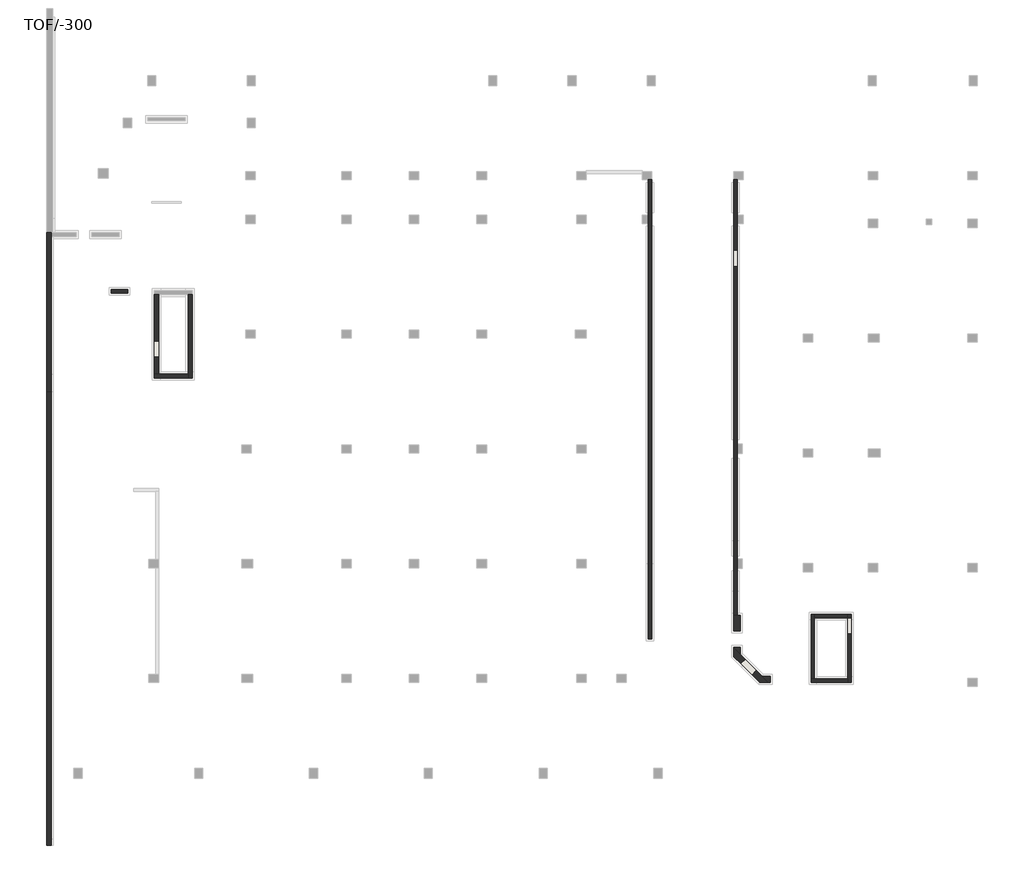
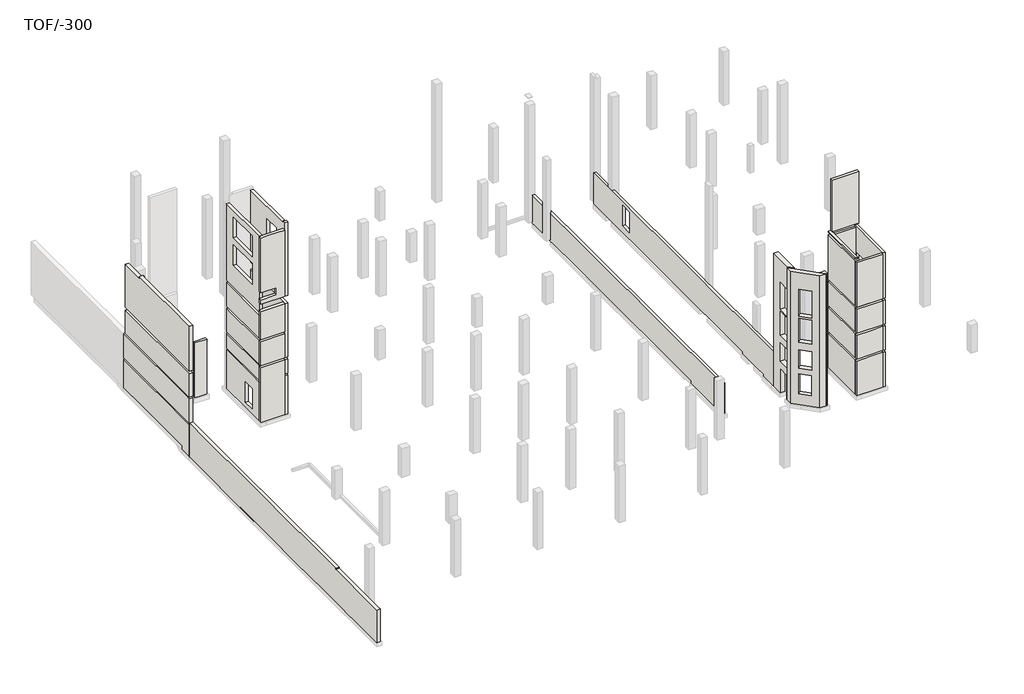
# One storey, part 1 of 4: 15 walls.
"""IFC4 building model written with IfcOpenShell, lengths in millimetres."""

from ifc_helpers import new_model, si_unit, frame, origin, place, context, project, spatial, polyline, circle_curve, outline, extrude, faceted_brep, element, save
from ifc_brep_helpers import plane_surface, cylinder_surface, advanced_brep

model = new_model("IFC4")

# Units and contexts
model_context = context("Model", 3, world=origin())
ifc_project = project(units=[si_unit("LENGTHUNIT", "METRE", prefix="MILLI")], contexts=[model_context])

# Site, building, storey
site = spatial("IfcSite", under=ifc_project)
building = spatial("IfcBuilding", under=site)
storey = spatial("IfcBuildingStorey", under=building, Name="TOF/-300", Elevation=-14100.0)

# Walls
placement = place(None, origin())
element("IfcWall", 1, ObjectType="250 WALL", at=placement, inside=storey, context=model_context, shape_type="Brep", body=[
    faceted_brep([(222296.1491692, 172463.2322067, -14550.0), (222296.1491692, 177963.2322067, -14550.0), (222296.1491692, 177963.2322067, -14250.0), (222296.1491692, 206063.2322067, -14250.0), (222296.1491692, 206063.2322067, -14100.0), (222296.1491692, 206063.2322067, -11223.3173459), (222296.1491692, 172463.2322067, -11223.3173459), (222046.1491692, 172463.2322067, -14550.0), (222046.1491692, 172463.2322067, -11223.3173459), (222046.1491692, 206063.2322067, -11223.3173459), (222046.1491692, 206063.2322067, -11310.0), (222046.1491692, 206063.2322067, -14250.0), (222046.1491692, 177963.2322067, -14250.0), (222046.1491692, 177963.2322067, -14550.0)], [[[0, 1, 2, 3, 4, 5, 6]], [[7, 8, 9, 10, 11, 12, 13]], [[3, 2, 12, 11]], [[5, 4, 3, 11, 10, 9]], [[6, 5, 9, 8]], [[0, 6, 8, 7]], [[1, 0, 7, 13]], [[2, 1, 13, 12]]]),
])
element("IfcWall", 2, ObjectType="250 WALL", at=placement, inside=storey, context=model_context, shape_type="Brep", body=[
    faceted_brep([(236628.4739802, 169263.2322067, -250.0), (236628.4739802, 174253.188445, -250.0), (236628.4739802, 174253.188445, -380.0), (236628.4739802, 174253.188445, -5200.0), (236628.4739802, 174003.188445, -5200.0), (236628.4739802, 174003.188445, -3000.0), (236628.4739802, 172803.188445, -3000.0), (236628.4739802, 172803.188445, -5200.0), (236628.4739802, 172153.188445, -5200.0), (236628.4739802, 172018.2322067, -5200.0), (236628.4739802, 169513.2322067, -5200.0), (236628.4739802, 169263.2322067, -5200.0), (236628.4739802, 169263.2322067, -380.0), (236878.4739802, 174253.188445, -250.0), (236878.4739802, 169263.2322067, -250.0), (236878.4739802, 169263.2322067, -5200.0), (236878.4739802, 172803.188445, -5200.0), (236878.4739802, 172803.188445, -3000.0), (236878.4739802, 174003.188445, -3000.0), (236878.4739802, 174003.188445, -5200.0), (236878.4739802, 174253.188445, -5200.0)], [[[0, 1, 2, 3, 4, 5, 6, 7, 8, 9, 10, 11, 12]], [[13, 14, 15, 16, 17, 18, 19, 20]], [[1, 0, 14, 13]], [[14, 0, 12, 11, 15]], [[1, 13, 20, 3, 2]], [[6, 17, 16, 7]], [[17, 6, 5, 18]], [[18, 5, 4, 19]], [[4, 3, 20, 19]], [[11, 10, 9, 8, 7, 16, 15]]]),
    faceted_brep([(236628.4739802, 174253.188445, -14750.0), (236628.4739802, 174003.188445, -14750.0), (236628.4739802, 169513.2322067, -14750.0), (236628.4739802, 169263.2322067, -14750.0), (236628.4739802, 169263.2322067, -11000.0), (236628.4739802, 169513.2322067, -11000.0), (236628.4739802, 172143.2322067, -11000.0), (236628.4739802, 174003.188445, -11000.0), (236628.4739802, 174253.188445, -11000.0), (236628.4739802, 172803.188445, -11400.0), (236628.4739802, 172803.188445, -13600.0), (236628.4739802, 174003.188445, -13600.0), (236628.4739802, 174003.188445, -11400.0), (236878.4739802, 169263.2322067, -14750.0), (236878.4739802, 174253.188445, -14750.0), (236878.4739802, 174253.188445, -11000.0), (236878.4739802, 170788.2322067, -11000.0), (236878.4739802, 169263.2322067, -11000.0), (236878.4739802, 169263.2322067, -11110.0), (236878.4739802, 172803.188445, -13600.0), (236878.4739802, 172803.188445, -11400.0), (236878.4739802, 174003.188445, -11400.0), (236878.4739802, 174003.188445, -13600.0)], [[[0, 1, 2, 3, 4, 5, 6, 7, 8], [9, 10, 11, 12]], [[13, 14, 15, 16, 17, 18], [19, 20, 21, 22]], [[3, 2, 1, 0, 14, 13]], [[3, 13, 18, 17, 4]], [[14, 0, 8, 15]], [[19, 10, 9, 20]], [[20, 9, 12, 21]], [[11, 22, 21, 12]], [[10, 19, 22, 11]], [[5, 4, 17, 16, 15, 8, 7, 6]]]),
    faceted_brep([(236628.4739802, 172803.188445, -5800.0), (236628.4739802, 172803.188445, -8000.0), (236628.4739802, 172143.2322067, -8000.0), (236628.4739802, 169513.2322067, -8000.0), (236628.4739802, 169263.2322067, -8000.0), (236628.4739802, 169263.2322067, -5400.0), (236628.4739802, 169513.2322067, -5400.0), (236628.4739802, 172018.2322067, -5400.0), (236628.4739802, 172153.188445, -5400.0), (236628.4739802, 174003.188445, -5400.0), (236628.4739802, 174253.188445, -5400.0), (236628.4739802, 174253.188445, -8000.0), (236628.4739802, 174003.188445, -8000.0), (236628.4739802, 174003.188445, -5800.0), (236878.4739802, 172803.188445, -8000.0), (236878.4739802, 172803.188445, -5800.0), (236878.4739802, 174003.188445, -5800.0), (236878.4739802, 174003.188445, -8000.0), (236878.4739802, 174253.188445, -8000.0), (236878.4739802, 174253.188445, -5400.0), (236878.4739802, 170788.2322067, -5400.0), (236878.4739802, 169263.2322067, -5400.0), (236878.4739802, 169263.2322067, -5510.0), (236878.4739802, 169263.2322067, -8000.0)], [[[0, 1, 2, 3, 4, 5, 6, 7, 8, 9, 10, 11, 12, 13]], [[14, 15, 16, 17, 18, 19, 20, 21, 22, 23]], [[4, 23, 22, 21, 5]], [[18, 11, 10, 19]], [[15, 14, 1, 0]], [[16, 15, 0, 13]], [[17, 16, 13, 12]], [[12, 11, 18, 17]], [[4, 3, 2, 1, 14, 23]], [[10, 9, 8, 7, 6, 5, 21, 20, 19]]]),
    faceted_brep([(236628.4739802, 172803.188445, -8600.0), (236628.4739802, 172803.188445, -10800.0), (236628.4739802, 172143.2322067, -10800.0), (236628.4739802, 169513.2322067, -10800.0), (236628.4739802, 169263.2322067, -10800.0), (236628.4739802, 169263.2322067, -8200.0), (236628.4739802, 169513.2322067, -8200.0), (236628.4739802, 172143.2322067, -8200.0), (236628.4739802, 174003.188445, -8200.0), (236628.4739802, 174253.188445, -8200.0), (236628.4739802, 174253.188445, -10800.0), (236628.4739802, 174003.188445, -10800.0), (236628.4739802, 174003.188445, -8600.0), (236878.4739802, 172803.188445, -10800.0), (236878.4739802, 172803.188445, -8600.0), (236878.4739802, 174003.188445, -8600.0), (236878.4739802, 174003.188445, -10800.0), (236878.4739802, 174253.188445, -10800.0), (236878.4739802, 174253.188445, -8200.0), (236878.4739802, 170788.2322067, -8200.0), (236878.4739802, 169263.2322067, -8200.0), (236878.4739802, 169263.2322067, -8310.0), (236878.4739802, 169263.2322067, -10800.0)], [[[0, 1, 2, 3, 4, 5, 6, 7, 8, 9, 10, 11, 12]], [[13, 14, 15, 16, 17, 18, 19, 20, 21, 22]], [[20, 5, 4, 22, 21]], [[9, 18, 17, 10]], [[0, 14, 13, 1]], [[14, 0, 12, 15]], [[15, 12, 11, 16]], [[6, 5, 20, 19, 18, 9, 8, 7]], [[11, 10, 17, 16]], [[4, 3, 2, 1, 13, 22]]]),
])
element("IfcWall", 3, ObjectType="250 WALL", at=placement, inside=storey, context=model_context, shape_type="Brep", body=[
    faceted_brep([(236628.4739802, 169513.2322067, -14750.0), (234188.4739802, 169513.2322067, -14750.0), (233938.4739802, 169513.2322067, -14750.0), (233938.4739802, 169513.2322067, -11000.0), (234188.4739802, 169513.2322067, -11000.0), (236628.4739802, 169513.2322067, -11000.0), (233938.4739802, 169263.2322067, -14750.0), (236628.4739802, 169263.2322067, -14750.0), (236628.4739802, 169263.2322067, -11000.0), (235353.4739802, 169263.2322067, -11000.0), (233938.4739802, 169263.2322067, -11000.0)], [[[0, 1, 2, 3, 4, 5]], [[6, 7, 8, 9, 10]], [[2, 1, 0, 7, 6]], [[7, 0, 5, 8]], [[2, 6, 10, 3]], [[4, 3, 10, 9, 8, 5]]]),
    faceted_brep([(233938.4739802, 169513.2322067, -380.0), (234188.4739802, 169513.2322067, -380.0), (236628.4739802, 169513.2322067, -380.0), (236628.4739802, 169513.2322067, -5200.0), (234188.4739802, 169513.2322067, -5200.0), (233938.4739802, 169513.2322067, -5200.0), (236628.4739802, 169263.2322067, -380.0), (233938.4739802, 169263.2322067, -380.0), (233938.4739802, 169263.2322067, -5200.0), (236628.4739802, 169263.2322067, -5200.0)], [[[0, 1, 2, 3, 4, 5]], [[6, 7, 8, 9]], [[2, 6, 9, 3]], [[7, 0, 5, 8]], [[1, 0, 7, 6, 2]], [[5, 4, 3, 9, 8]]]),
    faceted_brep([(233938.4739802, 169513.2322067, -5400.0), (234188.4739802, 169513.2322067, -5400.0), (236628.4739802, 169513.2322067, -5400.0), (236628.4739802, 169513.2322067, -8000.0), (234188.4739802, 169513.2322067, -8000.0), (233938.4739802, 169513.2322067, -8000.0), (236628.4739802, 169263.2322067, -5400.0), (235353.4739802, 169263.2322067, -5400.0), (233938.4739802, 169263.2322067, -5400.0), (233938.4739802, 169263.2322067, -8000.0), (236628.4739802, 169263.2322067, -8000.0)], [[[0, 1, 2, 3, 4, 5]], [[6, 7, 8, 9, 10]], [[2, 6, 10, 3]], [[8, 0, 5, 9]], [[1, 0, 8, 7, 6, 2]], [[5, 4, 3, 10, 9]]]),
    faceted_brep([(233938.4739802, 169513.2322067, -8200.0), (234188.4739802, 169513.2322067, -8200.0), (236628.4739802, 169513.2322067, -8200.0), (236628.4739802, 169513.2322067, -10800.0), (234188.4739802, 169513.2322067, -10800.0), (233938.4739802, 169513.2322067, -10800.0), (236628.4739802, 169263.2322067, -8200.0), (235353.4739802, 169263.2322067, -8200.0), (233938.4739802, 169263.2322067, -8200.0), (233938.4739802, 169263.2322067, -10800.0), (236628.4739802, 169263.2322067, -10800.0)], [[[0, 1, 2, 3, 4, 5]], [[6, 7, 8, 9, 10]], [[2, 6, 10, 3]], [[8, 0, 5, 9]], [[1, 0, 8, 7, 6, 2]], [[5, 4, 3, 10, 9]]]),
])
element("IfcWall", 4, ObjectType="250 WALL", at=placement, inside=storey, context=model_context, shape_type="Brep", body=[
    faceted_brep([(234188.4739802, 169513.2322067, -14750.0), (234188.4739802, 174003.188445, -14750.0), (234188.4739802, 174253.188445, -14750.0), (234188.4739802, 174253.188445, -11000.0), (234188.4739802, 174003.188445, -11000.0), (234188.4739802, 172398.2322067, -11000.0), (234188.4739802, 169513.2322067, -11000.0), (233938.4739802, 174253.188445, -14750.0), (233938.4739802, 169513.2322067, -14750.0), (233938.4739802, 169513.2322067, -11000.0), (233938.4739802, 174253.188445, -11000.0)], [[[0, 1, 2, 3, 4, 5, 6]], [[7, 8, 9, 10]], [[2, 1, 0, 8, 7]], [[2, 7, 10, 3]], [[8, 0, 6, 9]], [[5, 4, 3, 10, 9, 6]]]),
    faceted_brep([(234188.4739802, 174253.188445, 0.0), (234188.4739802, 169513.2322067, 0.0), (234188.4739802, 169513.2322067, -130.0), (234188.4739802, 174003.188445, -130.0), (234188.4739802, 174253.188445, -130.0), (233938.4739802, 169513.2322067, 0.0), (233938.4739802, 174253.188445, 0.0), (233938.4739802, 174253.188445, -130.0), (233938.4739802, 169513.2322067, -130.0)], [[[0, 1, 2, 3, 4]], [[5, 6, 7, 8]], [[1, 0, 6, 5]], [[6, 0, 4, 7]], [[1, 5, 8, 2]], [[4, 3, 2, 8, 7]]]),
    faceted_brep([(234188.4739802, 174253.188445, -380.0), (234188.4739802, 174003.188445, -380.0), (234188.4739802, 169513.2322067, -380.0), (234188.4739802, 169513.2322067, -5200.0), (234188.4739802, 172398.2322067, -5200.0), (234188.4739802, 174003.188445, -5200.0), (234188.4739802, 174253.188445, -5200.0), (233938.4739802, 169513.2322067, -380.0), (233938.4739802, 174253.188445, -380.0), (233938.4739802, 174253.188445, -5200.0), (233938.4739802, 169513.2322067, -5200.0)], [[[0, 1, 2, 3, 4, 5, 6]], [[7, 8, 9, 10]], [[8, 0, 6, 9]], [[2, 7, 10, 3]], [[1, 0, 8, 7, 2]], [[4, 3, 10, 9, 6, 5]]]),
    faceted_brep([(234188.4739802, 174253.188445, -8200.0), (234188.4739802, 174003.188445, -8200.0), (234188.4739802, 172398.2322067, -8200.0), (234188.4739802, 169513.2322067, -8200.0), (234188.4739802, 169513.2322067, -10800.0), (234188.4739802, 172398.2322067, -10800.0), (234188.4739802, 174003.188445, -10800.0), (234188.4739802, 174253.188445, -10800.0), (233938.4739802, 169513.2322067, -8200.0), (233938.4739802, 174253.188445, -8200.0), (233938.4739802, 174253.188445, -10800.0), (233938.4739802, 169513.2322067, -10800.0)], [[[0, 1, 2, 3, 4, 5, 6, 7]], [[8, 9, 10, 11]], [[9, 0, 7, 10]], [[3, 8, 11, 4]], [[1, 0, 9, 8, 3, 2]], [[7, 6, 5, 4, 11, 10]]]),
    faceted_brep([(234188.4739802, 174003.188445, -8000.0), (234188.4739802, 174253.188445, -8000.0), (234188.4739802, 174253.188445, -5400.0), (234188.4739802, 174003.188445, -5400.0), (234188.4739802, 172398.2322067, -5400.0), (234188.4739802, 169513.2322067, -5400.0), (234188.4739802, 169513.2322067, -8000.0), (234188.4739802, 172398.2322067, -8000.0), (233938.4739802, 174253.188445, -8000.0), (233938.4739802, 169513.2322067, -8000.0), (233938.4739802, 169513.2322067, -5400.0), (233938.4739802, 174253.188445, -5400.0)], [[[0, 1, 2, 3, 4, 5, 6, 7]], [[8, 9, 10, 11]], [[1, 8, 11, 2]], [[9, 6, 5, 10]], [[1, 0, 7, 6, 9, 8]], [[5, 4, 3, 2, 11, 10]]]),
])
element("IfcWall", 5, ObjectType="250 WALL", at=placement, inside=storey, context=model_context, shape_type="Brep", body=[
    faceted_brep([(234188.4739802, 174003.188445, -14750.0), (236628.4739802, 174003.188445, -14750.0), (236628.4739802, 174003.188445, -13600.0), (236628.4739802, 174003.188445, -11400.0), (236628.4739802, 174003.188445, -11000.0), (234188.4739802, 174003.188445, -11000.0), (236628.4739802, 174253.188445, -14750.0), (234188.4739802, 174253.188445, -14750.0), (234188.4739802, 174253.188445, -11000.0), (236628.4739802, 174253.188445, -11000.0)], [[[0, 1, 2, 3, 4, 5]], [[6, 7, 8, 9]], [[1, 0, 7, 6]], [[7, 0, 5, 8]], [[1, 6, 9, 4, 3, 2]], [[5, 4, 9, 8]]]),
    faceted_brep([(236878.4739802, 174003.188445, 5600.0), (236628.4739802, 174003.188445, 5600.0), (234188.4739802, 174003.188445, 5600.0), (234188.4739802, 174003.188445, 0.0), (236628.4739802, 174003.188445, 0.0), (236878.4739802, 174003.188445, 0.0), (236878.4739802, 174003.188445, 800.0), (236878.4739802, 174003.188445, 1000.0), (236878.4739802, 174003.188445, 1002.0), (236878.4739802, 174003.188445, 3202.0), (234188.4739802, 174253.188445, 5600.0), (236878.4739802, 174253.188445, 5600.0), (236878.4739802, 174253.188445, 0.0), (234188.4739802, 174253.188445, 0.0), (236878.4739802, 174193.188445, 0.0)], [[[0, 1, 2, 3, 4, 5, 6, 7, 8, 9]], [[10, 11, 12, 13]], [[2, 10, 13, 3]], [[3, 13, 12, 14, 5, 4]], [[0, 9, 8, 7, 6, 5, 14, 12, 11]], [[2, 1, 0, 11, 10]]]),
    faceted_brep([(236628.4739802, 174003.188445, -380.0), (234188.4739802, 174003.188445, -380.0), (234188.4739802, 174003.188445, -5200.0), (236628.4739802, 174003.188445, -5200.0), (236628.4739802, 174003.188445, -3000.0), (234188.4739802, 174253.188445, -380.0), (236628.4739802, 174253.188445, -380.0), (236628.4739802, 174253.188445, -5200.0), (234188.4739802, 174253.188445, -5200.0)], [[[0, 1, 2, 3, 4]], [[5, 6, 7, 8]], [[1, 5, 8, 2]], [[6, 0, 4, 3, 7]], [[1, 0, 6, 5]], [[3, 2, 8, 7]]]),
    faceted_brep([(236628.4739802, 174003.188445, -5400.0), (234188.4739802, 174003.188445, -5400.0), (234188.4739802, 174003.188445, -10800.0), (236628.4739802, 174003.188445, -10800.0), (236628.4739802, 174003.188445, -8600.0), (236628.4739802, 174003.188445, -8000.0), (236628.4739802, 174003.188445, -5800.0), (234188.4739802, 174253.188445, -5400.0), (236628.4739802, 174253.188445, -5400.0), (236628.4739802, 174253.188445, -8000.0), (236628.4739802, 174253.188445, -8200.0), (236628.4739802, 174253.188445, -10800.0), (234188.4739802, 174253.188445, -10800.0), (234188.4739802, 174253.188445, -8200.0), (234188.4739802, 174253.188445, -8000.0)], [[[0, 1, 2, 3, 4, 5, 6]], [[7, 8, 9, 10, 11, 12, 13, 14]], [[1, 7, 14, 13, 12, 2]], [[8, 0, 6, 5, 4, 3, 11, 10, 9]], [[1, 0, 8, 7]], [[3, 2, 12, 11]]]),
])
element("IfcWall", 6, ObjectType="250 WALL", at=placement, inside=storey, context=model_context, shape_type="Brep", body=[
    faceted_brep([(228546.1491692, 174171.4302583, -14750.0), (228546.1491692, 175971.4302583, -14750.0), (228546.1491692, 175971.4302583, -14550.0), (228546.1491692, 179671.4302583, -14550.0), (228546.1491692, 179671.4302583, -14350.0), (228546.1491692, 206071.4302583, -14350.0), (228546.1491692, 206071.4302583, -14200.0), (228546.1491692, 206071.4302583, -11000.0), (228546.1491692, 206063.2322067, -11000.0), (228546.1491692, 203463.2322067, -11000.0), (228546.1491692, 202863.2322067, -11000.0), (228546.1491692, 174171.4302583, -11000.0), (228546.1491692, 200913.9302583, -11400.0), (228546.1491692, 200913.9302583, -13600.0), (228546.1491692, 199713.9302583, -13600.0), (228546.1491692, 199713.9302583, -11400.0), (228296.1491692, 174171.4302583, -14750.0), (228296.1491692, 174171.4302583, -11000.0), (228296.1491692, 202863.2322067, -11000.0), (228296.1491692, 203463.2322067, -11000.0), (228296.1491692, 206063.2322067, -11000.0), (228296.1491692, 206071.4302583, -11000.0), (228296.1491692, 206071.4302583, -14200.0), (228296.1491692, 206071.4302583, -14350.0), (228296.1491692, 179671.4302583, -14350.0), (228296.1491692, 179671.4302583, -14550.0), (228296.1491692, 175971.4302583, -14550.0), (228296.1491692, 175971.4302583, -14750.0), (228296.1491692, 200913.9302583, -11400.0), (228296.1491692, 199713.9302583, -11400.0), (228296.1491692, 199713.9302583, -13600.0), (228296.1491692, 200913.9302583, -13600.0)], [[[0, 1, 2, 3, 4, 5, 6, 7, 8, 9, 10, 11], [12, 13, 14, 15]], [[16, 17, 18, 19, 20, 21, 22, 23, 24, 25, 26, 27], [28, 29, 30, 31]], [[13, 12, 28, 31]], [[14, 13, 31, 30]], [[15, 14, 30, 29]], [[12, 15, 29, 28]], [[5, 4, 24, 23]], [[7, 6, 5, 23, 22, 21]], [[11, 10, 9, 8, 7, 21, 20, 19, 18, 17]], [[0, 11, 17, 16]], [[1, 0, 16, 27]], [[2, 1, 27, 26]], [[3, 2, 26, 25]], [[4, 3, 25, 24]]]),
])
element("IfcWall", 7, ObjectType="250 WALL", at=placement, inside=storey, context=model_context, shape_type="SweptSolid", body=[
    extrude(outline(polyline([(183956.1489175, 197758.2322067), (182756.1489175, 197758.2322067), (182756.1489175, 198008.2322067), (183956.1489175, 198008.2322067), (183956.1489175, 197758.2322067)])), frame((0.0, 0.0, -14350.0), z_axis=(0.0, 0.0, 1.0), x_axis=(1.0, 0.0, 0.0)), (0.0, 0.0, 1.0), 5950.0),
])
element("IfcWall", 8, ObjectType="300 WALL", at=placement, inside=storey, context=model_context, shape_type="Brep", body=[
    faceted_brep([(188361.1489175, 197657.6490083, -14350.0), (188361.1489175, 191842.6490083, -14350.0), (188361.1489175, 191542.6490083, -14350.0), (188361.1489175, 191542.6490083, -10150.0), (188361.1489175, 197657.6490083, -10150.0), (188661.1489175, 191542.6490083, -14350.0), (188661.1489175, 197657.6490083, -14350.0), (188661.1489175, 197657.6490083, -10150.0), (188661.1489175, 191542.6490083, -10150.0)], [[[0, 1, 2, 3, 4]], [[5, 6, 7, 8]], [[2, 1, 0, 6, 5]], [[6, 0, 4, 7]], [[2, 5, 8, 3]], [[4, 3, 8, 7]]]),
    faceted_brep([(188361.1489175, 196433.2322067, -5975.0327921), (188361.1489175, 193068.2322067, -5975.0327921), (188361.1489175, 193068.2322067, -8200.0), (188361.1489175, 191842.6490083, -8200.0), (188361.1489175, 191542.6490083, -8200.0), (188361.1489175, 191542.6490083, -5600.0), (188361.1489175, 191542.6490083, -5400.0), (188361.1489175, 191542.6490083, -2350.0), (188361.1489175, 191842.6490083, -2350.0), (188361.1489175, 197657.6490083, -2350.0), (188361.1489175, 197657.6490083, -5450.0), (188361.1489175, 194603.2322067, -5450.0), (188361.1489175, 194203.2322067, -5450.0), (188361.1489175, 194203.2322067, -5600.0), (188361.1489175, 194203.2322067, -5650.0), (188361.1489175, 197657.6490083, -5650.0), (188361.1489175, 197657.6490083, -8200.0), (188361.1489175, 196433.2322067, -8200.0), (188661.1489175, 193068.2322067, -5975.0327921), (188661.1489175, 196433.2322067, -5975.0327921), (188661.1489175, 196433.2322067, -8200.0), (188661.1489175, 197657.6490083, -8200.0), (188661.1489175, 197657.6490083, -5650.0), (188661.1489175, 194203.2322067, -5650.0), (188661.1489175, 194203.2322067, -5450.0), (188661.1489175, 197657.6490083, -5450.0), (188661.1489175, 197657.6490083, -2350.0), (188661.1489175, 191542.6490083, -2350.0), (188661.1489175, 191542.6490083, -8200.0), (188661.1489175, 193068.2322067, -8200.0)], [[[0, 1, 2, 3, 4, 5, 6, 7, 8, 9, 10, 11, 12, 13, 14, 15, 16, 17]], [[18, 19, 20, 21, 22, 23, 24, 25, 26, 27, 28, 29]], [[9, 26, 25, 10]], [[15, 22, 21, 16]], [[27, 7, 6, 5, 4, 28]], [[1, 18, 29, 2]], [[18, 1, 0, 19]], [[19, 0, 17, 20]], [[8, 7, 27, 26, 9]], [[14, 23, 22, 15]], [[24, 12, 11, 10, 25]], [[23, 14, 13, 12, 24]], [[4, 3, 2, 29, 28]], [[17, 16, 21, 20]]]),
    faceted_brep([(188361.1489175, 191542.6490083, 6400.0), (188361.1489175, 191843.2322067, 6400.0), (188361.1489175, 191843.2322067, 6200.0), (188361.1489175, 197657.6490083, 6200.0), (188361.1489175, 197657.6490083, -1550.0), (188361.1489175, 191842.6490083, -1550.0), (188361.1489175, 191542.6490083, -1550.0), (188361.1489175, 191542.6490083, 5600.0), (188361.1489175, 194750.0326131, 2670.0), (188361.1489175, 194750.0326131, 4905.0), (188361.1489175, 193060.0326131, 4905.0), (188361.1489175, 193060.0326131, 2670.0), (188661.1489175, 191843.2322067, 6400.0), (188661.1489175, 191542.6490083, 6400.0), (188661.1489175, 191542.6490083, -1110.0), (188661.1489175, 191542.6490083, -1550.0), (188661.1489175, 197657.6490083, -1550.0), (188661.1489175, 197657.6490083, 6200.0), (188661.1489175, 191843.2322067, 6200.0), (188661.1489175, 194750.0326131, 4905.0), (188661.1489175, 194750.0326131, 2670.0), (188661.1489175, 193060.0326131, 2670.0), (188661.1489175, 193060.0326131, 4905.0)], [[[0, 1, 2, 3, 4, 5, 6, 7], [8, 9, 10, 11]], [[12, 13, 14, 15, 16, 17, 18], [19, 20, 21, 22]], [[0, 13, 12, 1]], [[3, 17, 16, 4]], [[9, 8, 20, 19]], [[10, 9, 19, 22]], [[11, 10, 22, 21]], [[8, 11, 21, 20]], [[13, 0, 7, 6, 15, 14]], [[2, 18, 17, 3]], [[18, 2, 1, 12]], [[6, 5, 4, 16, 15]]]),
    faceted_brep([(188361.1489175, 191542.6490083, -8400.0), (188361.1489175, 191842.6490083, -8400.0), (188361.1489175, 197657.6490083, -8400.0), (188361.1489175, 197657.6490083, -9950.0), (188361.1489175, 191542.6490083, -9950.0), (188661.1489175, 197657.6490083, -8400.0), (188661.1489175, 191542.6490083, -8400.0), (188661.1489175, 191542.6490083, -9950.0), (188661.1489175, 197657.6490083, -9950.0)], [[[0, 1, 2, 3, 4]], [[5, 6, 7, 8]], [[2, 5, 8, 3]], [[6, 0, 4, 7]], [[1, 0, 6, 5, 2]], [[4, 3, 8, 7]]]),
])
element("IfcWall", 9, ObjectType="300 WALL", at=placement, inside=storey, context=model_context, shape_type="Brep", body=[
    faceted_brep([(188361.1489175, 191842.6490083, -14350.0), (186201.1489175, 191842.6490083, -14350.0), (185901.1489175, 191842.6490083, -14350.0), (185901.1489175, 191842.6490083, -10150.0), (185901.1489175, 191842.6490083, -9950.0), (185901.1489175, 191842.6490083, -8400.0), (186201.1489175, 191842.6490083, -8400.0), (188361.1489175, 191842.6490083, -8400.0), (185901.1489175, 191542.6490083, -14350.0), (188361.1489175, 191542.6490083, -14350.0), (188361.1489175, 191542.6490083, -10150.0), (188361.1489175, 191542.6490083, -9950.0), (188361.1489175, 191542.6490083, -8400.0), (185901.1489175, 191542.6490083, -8400.0)], [[[0, 1, 2, 3, 4, 5, 6, 7]], [[8, 9, 10, 11, 12, 13]], [[2, 1, 0, 9, 8]], [[9, 0, 7, 12, 11, 10]], [[2, 8, 13, 5, 4, 3]], [[6, 5, 13, 12, 7]]]),
    faceted_brep([(185901.1489175, 191842.6490083, -1110.0), (186201.1489175, 191842.6490083, -1110.0), (187501.1489175, 191842.6490083, -1110.0), (187501.1489175, 191842.6490083, -310.0), (186201.1489175, 191842.6490083, -310.0), (185901.1489175, 191842.6490083, -310.0), (185901.1489175, 191842.6490083, 5600.0), (186201.1489175, 191842.6490083, 5600.0), (188361.1489175, 191842.6490083, 5600.0), (188361.1489175, 191842.6490083, -1550.0), (185901.1489175, 191842.6490083, -1550.0), (187501.1489175, 191542.6490083, -1110.0), (186201.1489175, 191542.6490083, -1110.0), (185901.1489175, 191542.6490083, -1110.0), (185901.1489175, 191542.6490083, -1550.0), (186201.1489175, 191542.6490083, -1550.0), (188261.1489175, 191542.6490083, -1550.0), (188361.1489175, 191542.6490083, -1550.0), (188361.1489175, 191542.6490083, 5600.0), (186696.1489175, 191542.6490083, 5600.0), (185901.1489175, 191542.6490083, 5600.0), (185901.1489175, 191542.6490083, -310.0), (187501.1489175, 191542.6490083, -310.0)], [[[0, 1, 2, 3, 4, 5, 6, 7, 8, 9, 10]], [[11, 12, 13, 14, 15, 16, 17, 18, 19, 20, 21, 22]], [[17, 9, 8, 18]], [[13, 0, 10, 14]], [[5, 21, 20, 6]], [[11, 2, 1, 0, 13, 12]], [[3, 22, 21, 5, 4]], [[2, 11, 22, 3]], [[10, 9, 17, 16, 15, 14]], [[8, 7, 6, 20, 19, 18]]]),
    faceted_brep([(185901.1489175, 191842.6490083, -2350.0), (188361.1489175, 191842.6490083, -2350.0), (188361.1489175, 191842.6490083, -5400.0), (186201.1489175, 191842.6490083, -5400.0), (185901.1489175, 191842.6490083, -5400.0), (185901.1489175, 191842.6490083, -2900.0), (185901.1489175, 191842.6490083, -2600.0), (188361.1489175, 191542.6490083, -2350.0), (186201.1489175, 191542.6490083, -2350.0), (185901.1489175, 191542.6490083, -2350.0), (185901.1489175, 191542.6490083, -2600.0), (185901.1489175, 191542.6490083, -5400.0), (188361.1489175, 191542.6490083, -5400.0)], [[[0, 1, 2, 3, 4, 5, 6]], [[7, 8, 9, 10, 11, 12]], [[1, 7, 12, 2]], [[9, 0, 6, 5, 4, 11, 10]], [[1, 0, 9, 8, 7]], [[4, 3, 2, 12, 11]]]),
    faceted_brep([(185901.1489175, 191842.6490083, -5600.0), (186201.1489175, 191842.6490083, -5600.0), (188361.1489175, 191842.6490083, -5600.0), (188361.1489175, 191842.6490083, -8200.0), (186201.1489175, 191842.6490083, -8200.0), (185901.1489175, 191842.6490083, -8200.0), (185901.1489175, 191842.6490083, -5700.0), (188361.1489175, 191542.6490083, -5600.0), (185901.1489175, 191542.6490083, -5600.0), (185901.1489175, 191542.6490083, -8200.0), (188361.1489175, 191542.6490083, -8200.0)], [[[0, 1, 2, 3, 4, 5, 6]], [[7, 8, 9, 10]], [[2, 7, 10, 3]], [[8, 0, 6, 5, 9]], [[1, 0, 8, 7, 2]], [[5, 4, 3, 10, 9]]]),
])
element("IfcWall", 10, ObjectType="300 WALL", at=placement, inside=storey, context=model_context, shape_type="Brep", body=[
    faceted_brep([(186201.1489175, 191842.6490083, -14350.0), (186201.1489175, 197657.6490083, -14350.0), (186201.1489175, 197657.6490083, -10150.0), (186201.1489175, 191842.6490083, -10150.0), (186201.1489175, 193068.2322067, -13795.0), (186201.1489175, 193068.2322067, -11595.0), (186201.1489175, 194268.2322067, -11595.0), (186201.1489175, 194268.2322067, -13795.0), (185901.1489175, 197657.6490083, -14350.0), (185901.1489175, 191842.6490083, -14350.0), (185901.1489175, 191842.6490083, -10150.0), (185901.1489175, 197657.6490083, -10150.0), (185901.1489175, 193068.2322067, -11595.0), (185901.1489175, 193068.2322067, -13795.0), (185901.1489175, 194268.2322067, -13795.0), (185901.1489175, 194268.2322067, -11595.0)], [[[0, 1, 2, 3], [4, 5, 6, 7]], [[8, 9, 10, 11], [12, 13, 14, 15]], [[1, 0, 9, 8]], [[9, 0, 3, 10]], [[1, 8, 11, 2]], [[5, 4, 13, 12]], [[6, 5, 12, 15]], [[7, 6, 15, 14]], [[4, 7, 14, 13]], [[3, 2, 11, 10]]]),
    faceted_brep([(186201.1489175, 197657.6490083, 5600.0), (186201.1489175, 191842.6490083, 5600.0), (186201.1489175, 191842.6490083, -2600.0), (186201.1489175, 197657.6490083, -2600.0), (186201.1489175, 193068.2322067, -310.0), (186201.1489175, 193068.2322067, 1925.0), (186201.1489175, 196433.2322067, 1925.0), (186201.1489175, 196433.2322067, -310.0), (186201.1489175, 193068.2322067, 2670.0), (186201.1489175, 193068.2322067, 4905.0), (186201.1489175, 196433.2322067, 4905.0), (186201.1489175, 196433.2322067, 2670.0), (185901.1489175, 191842.6490083, 5600.0), (185901.1489175, 197657.6490083, 5600.0), (185901.1489175, 197657.6490083, -2600.0), (185901.1489175, 191842.6490083, -2600.0), (185901.1489175, 191842.6490083, -2350.0), (185901.1489175, 191842.6490083, -1550.0), (185901.1489175, 191842.6490083, -1110.0), (185901.1489175, 191842.6490083, -310.0), (185901.1489175, 193068.2322067, 1925.0), (185901.1489175, 193068.2322067, -310.0), (185901.1489175, 196433.2322067, -310.0), (185901.1489175, 196433.2322067, 1925.0), (185901.1489175, 193068.2322067, 4905.0), (185901.1489175, 193068.2322067, 2670.0), (185901.1489175, 196433.2322067, 2670.0), (185901.1489175, 196433.2322067, 4905.0)], [[[0, 1, 2, 3], [4, 5, 6, 7], [8, 9, 10, 11]], [[12, 13, 14, 15, 16, 17, 18, 19], [20, 21, 22, 23], [24, 25, 26, 27]], [[1, 12, 19, 18, 17, 16, 15, 2]], [[13, 0, 3, 14]], [[4, 21, 20, 5]], [[5, 20, 23, 6]], [[6, 23, 22, 7]], [[21, 4, 7, 22]], [[8, 25, 24, 9]], [[9, 24, 27, 10]], [[10, 27, 26, 11]], [[25, 8, 11, 26]], [[1, 0, 13, 12]], [[3, 2, 15, 14]]]),
    faceted_brep([(186201.1489175, 197657.6490083, -2900.0), (186201.1489175, 191842.6490083, -2900.0), (186201.1489175, 191842.6490083, -5400.0), (186201.1489175, 191843.2322067, -5400.0), (186201.1489175, 197657.6490083, -5400.0), (185901.1489175, 191842.6490083, -2900.0), (185901.1489175, 197657.6490083, -2900.0), (185901.1489175, 197657.6490083, -5400.0), (185901.1489175, 191842.6490083, -5400.0)], [[[0, 1, 2, 3, 4]], [[5, 6, 7, 8]], [[1, 5, 8, 2]], [[6, 0, 4, 7]], [[1, 0, 6, 5]], [[4, 3, 2, 8, 7]]]),
    faceted_brep([(186201.1489175, 197657.6490083, -5700.0), (186201.1489175, 191842.6490083, -5700.0), (186201.1489175, 191842.6490083, -8200.0), (186201.1489175, 197657.6490083, -8200.0), (185901.1489175, 191842.6490083, -5700.0), (185901.1489175, 197657.6490083, -5700.0), (185901.1489175, 197657.6490083, -8200.0), (185901.1489175, 191842.6490083, -8200.0)], [[[0, 1, 2, 3]], [[4, 5, 6, 7]], [[1, 4, 7, 2]], [[5, 0, 3, 6]], [[1, 0, 5, 4]], [[3, 2, 7, 6]]]),
    faceted_brep([(186201.1489175, 197657.6490083, -8400.0), (186201.1489175, 191842.6490083, -8400.0), (186201.1489175, 191842.6490083, -9950.0), (186201.1489175, 197657.6490083, -9950.0), (185901.1489175, 191842.6490083, -8400.0), (185901.1489175, 197657.6490083, -8400.0), (185901.1489175, 197657.6490083, -9950.0), (185901.1489175, 191842.6490083, -9950.0)], [[[0, 1, 2, 3]], [[4, 5, 6, 7]], [[1, 4, 7, 2]], [[5, 0, 3, 6]], [[1, 0, 5, 4]], [[3, 2, 7, 6]]]),
])
element("IfcWall", 11, ObjectType="350 WALL", at=placement, inside=storey, context=model_context, shape_type="SolidModel", body=[
    faceted_brep([(178011.1491693, 190507.2325529, -8400.0), (178011.1491693, 202193.1983002, -8400.0), (178011.1491693, 202193.1983002, -11000.0), (178011.1491693, 190507.2325529, -11000.0), (178361.1491693, 202193.1983002, -8400.0), (178361.1491693, 201893.1983002, -8400.0), (178361.1491693, 190507.2325529, -8400.0), (178361.1491693, 190507.2325529, -11000.0), (178361.1491693, 201893.1983002, -11000.0), (178361.1491693, 202193.1983002, -11000.0)], [[[0, 1, 2, 3]], [[4, 5, 6, 7, 8, 9]], [[1, 0, 6, 5, 4]], [[3, 2, 9, 8, 7]], [[0, 3, 7, 6]], [[2, 1, 4, 9]]]),
    faceted_brep([(178011.1491693, 201882.2325529, -8200.0), (178011.1491693, 190507.2325529, -8200.0), (178011.1491693, 190507.2325529, -5700.0), (178011.1491693, 201882.2325529, -5700.0), (178011.1491693, 201882.2325529, -5765.0), (178361.1491693, 190507.2325529, -8200.0), (178361.1491693, 201882.2325529, -8200.0), (178361.1491693, 201882.2325529, -5765.0), (178361.1491693, 201882.2325529, -5700.0), (178361.1491693, 190507.2325529, -5700.0)], [[[0, 1, 2, 3, 4]], [[5, 6, 7, 8, 9]], [[6, 0, 4, 3, 8, 7]], [[1, 0, 6, 5]], [[3, 2, 9, 8]], [[2, 1, 5, 9]]]),
    advanced_brep(
    [(178011.1491693, 201882.2325529, -5400.0), (178011.1491693, 190507.2325529, -5400.0), (178011.1491693, 190507.2325529, -560.0), (178011.1491693, 199393.1983002, -560.0), (178011.1491693, 199393.1983002, -730.0), (178011.1491693, 201882.2325529, -730.0), (178361.1491693, 190507.2325529, -5400.0), (178361.1491693, 201882.2325529, -5400.0), (178361.1491693, 201882.2325529, -730.0), (178361.1491693, 199393.1983002, -730.0), (178361.1491693, 199393.1983002, -560.0), (178361.1491693, 199246.7785361, -560.0), (178361.1491693, 199246.7785361, -480.0), (178361.1491693, 199107.6095717, -480.0), (178361.1491693, 199107.6095717, -560.0), (178361.1491693, 190507.2325529, -560.0), (178356.2834943, 199177.1940539, -560.0), (178356.2834943, 199177.1940539, -480.0)],
    [
        (0, 1),
        (1, 2),
        (2, 3),
        (3, 4),
        (4, 5),
        (5, 0),
        (6, 7),
        (7, 8),
        (8, 9),
        (9, 10),
        (10, 11),
        (11, 12),
        (12, 13),
        (13, 14),
        (14, 15),
        (15, 6),
        (7, 0),
        (5, 8),
        (6, 1),
        (16, 11, circle_curve(frame((178856.2834943, 199177.1940539, -560.0), z_axis=(0.0, 0.0, -1.0), x_axis=(1.0, 0.0, 0.0)), 500.0)),
        (10, 3),
        (2, 15),
        (14, 16, circle_curve(frame((178856.2834943, 199177.1940539, -560.0), z_axis=(0.0, 0.0, -1.0), x_axis=(1.0, 0.0, 0.0)), 500.0)),
        (13, 17, circle_curve(frame((178856.2834943, 199177.1940539, -480.0), z_axis=(0.0, 0.0, -1.0), x_axis=(1.0, 0.0, 0.0)), 500.0)),
        (17, 16),
        (17, 12, circle_curve(frame((178856.2834943, 199177.1940539, -480.0), z_axis=(0.0, 0.0, -1.0), x_axis=(1.0, 0.0, 0.0)), 500.0)),
        (4, 9),
    ],
    [
        plane_surface(frame((178011.1491693, 218473.2318341, -14250.0), z_axis=(-1.0, 0.0, 0.0), x_axis=(0.0, -1.0, 0.0))),
        plane_surface(frame((178361.1491693, 218473.2318341, -14250.0), z_axis=(1.0, 0.0, 0.0), x_axis=(0.0, 1.0, 0.0))),
        plane_surface(frame((178361.1491693, 201882.2325529, -650.0), z_axis=(0.0, 1.0, 0.0), x_axis=(-1.0, 0.0, 0.0))),
        plane_surface(frame((185701.1489205, 202193.1983002, -5400.0), z_axis=(0.0, 0.0, -1.0), x_axis=(0.0, 1.0, 0.0))),
        plane_surface(frame((177170.7148859, 196378.8468734, -560.0), z_axis=(0.0, 0.0, 1.0), x_axis=(0.0, 1.0, 0.0))),
        cylinder_surface(frame((178856.2834943, 199177.1940539, 0.0), z_axis=(0.0, 0.0, 1.0), x_axis=(1.0, 0.0, 0.0)), 500.0),
        plane_surface(frame((178011.1491693, 190507.2325529, -14650.0), z_axis=(0.0, -1.0, 0.0), x_axis=(1.0, 0.0, 0.0))),
        plane_surface(frame((178011.1491693, 190507.2325529, -480.0), z_axis=(0.0, 0.0, 1.0), x_axis=(1.0, 0.0, 0.0))),
        plane_surface(frame((177172.7148854, 214092.0795873, -730.0), z_axis=(0.0, 0.0, 1.0), x_axis=(0.0, 1.0, 0.0))),
        plane_surface(frame((180476.4018674, 199393.1983002, -730.0), z_axis=(0.0, 1.0, 0.0), x_axis=(0.0, 0.0, 1.0))),
    ],
    [
        (0, [[1, 2, 3, 4, 5, 6]]),
        (1, [[7, 8, 9, 10, 11, 12, 13, 14, 15, 16]]),
        (2, [[17, -6, 18, -8]]),
        (3, [[-1, -17, -7, 19]]),
        (4, [[20, -11, 21, -3, 22, -15, 23]]),
        (5, [[-23, -14, 24, 25]]),
        (5, [[-20, -25, 26, -12]]),
        (6, [[-2, -19, -16, -22]]),
        (7, [[-24, -13, -26]]),
        (8, [[27, -9, -18, -5]]),
        (9, [[-27, -4, -21, -10]]),
    ],
),
    faceted_brep([(178011.1491693, 202193.1983002, -14250.0), (178011.1491693, 201893.1983002, -14250.0), (178011.1491693, 191857.2325529, -14250.0), (178011.1491693, 191857.2325529, -14650.0), (178011.1491693, 190507.2325529, -14650.0), (178011.1491693, 190507.2325529, -11200.0), (178011.1491693, 202193.1983002, -11200.0), (178361.1491693, 191857.2325529, -14250.0), (178361.1491693, 201893.1983002, -14250.0), (178361.1491693, 202193.1983002, -14250.0), (178361.1491693, 202193.1983002, -11200.0), (178361.1491693, 201893.1983002, -11200.0), (178361.1491693, 190507.2325529, -11200.0), (178361.1491693, 190507.2325529, -14650.0), (178361.1491693, 191857.2325529, -14650.0)], [[[0, 1, 2, 3, 4, 5, 6]], [[7, 8, 9, 10, 11, 12, 13, 14]], [[6, 5, 12, 11, 10]], [[2, 1, 0, 9, 8, 7]], [[5, 4, 13, 12]], [[0, 6, 10, 9]], [[3, 2, 7, 14]], [[4, 3, 14, 13]]]),
])
element("IfcWall", 12, ObjectType="350 WALL", at=placement, inside=storey, context=model_context, shape_type="Brep", body=[
    faceted_brep([(178011.1491693, 190507.2325529, -14650.0), (178011.1491693, 190207.2325529, -14650.0), (178011.1491693, 183257.2325529, -14650.0), (178011.1491693, 157663.2318341, -14650.0), (178011.1491693, 157363.2318341, -14650.0), (178011.1491693, 157363.2318341, -11110.0), (178011.1491693, 164613.2318341, -11110.0), (178011.1491693, 164613.2318341, -11000.0), (178011.1491693, 190207.2325529, -11000.0), (178011.1491693, 190507.2325529, -11000.0), (178361.1491693, 157363.2318341, -14650.0), (178361.1491693, 157663.2318341, -14650.0), (178361.1491693, 157813.2318341, -14650.0), (178361.1491693, 183257.2325529, -14650.0), (178361.1491693, 190207.2325529, -14650.0), (178361.1491693, 190507.2325529, -14650.0), (178361.1491693, 190507.2325529, -11000.0), (178361.1491693, 190207.2325529, -11000.0), (178361.1491693, 183507.2325529, -11000.0), (178361.1491693, 183257.2325529, -11000.0), (178361.1491693, 164613.2318341, -11000.0), (178361.1491693, 164613.2318341, -11110.0), (178361.1491693, 157663.2318341, -11110.0), (178361.1491693, 157363.2318341, -11110.0)], [[[0, 1, 2, 3, 4, 5, 6, 7, 8, 9]], [[10, 11, 12, 13, 14, 15, 16, 17, 18, 19, 20, 21, 22, 23]], [[4, 3, 2, 1, 0, 15, 14, 13, 12, 11, 10]], [[16, 9, 8, 7, 20, 19, 18, 17]], [[0, 9, 16, 15]], [[4, 10, 23, 5]], [[21, 6, 5, 23, 22]], [[6, 21, 20, 7]]]),
])
element("IfcWall", 13, ObjectType="450 WALL", at=placement, inside=storey, context=model_context, shape_type="Brep", body=[
    faceted_brep([(228296.1491692, 171153.2322067, -14750.0), (230186.1491692, 169263.2322067, -14750.0), (230186.1491692, 169263.2322067, -1230.0), (230186.1491692, 169263.2322067, -460.0), (228886.1491692, 170563.2322067, -460.0), (228296.1491692, 171153.2322067, -460.0), (228800.2830789, 170649.0982971, -11419.2), (229625.4323185, 169823.9490574, -11419.2), (229625.4323185, 169823.9490574, -13600.0), (228800.2830789, 170649.0982971, -13600.0), (228806.9258581, 170642.4555179, -2300.0), (229655.4539955, 169793.9273804, -2300.0), (229655.4539955, 169793.9273804, -5200.0), (228806.9258581, 170642.4555179, -5200.0), (228806.9258581, 170642.4555179, -5400.0), (229655.4539955, 169793.9273804, -5400.0), (229655.4539955, 169793.9273804, -8000.0), (228806.9258581, 170642.4555179, -8000.0), (228806.9258581, 170642.4555179, -8800.0), (229655.4539955, 169793.9273804, -8800.0), (229655.4539955, 169793.9273804, -10800.0), (228806.9258581, 170642.4555179, -10800.0), (230822.5452723, 169263.2322067, -14750.0), (230372.5452723, 169713.2322067, -14750.0), (228746.1491692, 171339.6283098, -14750.0), (228296.1491692, 171789.6283098, -14750.0), (228296.1491692, 171789.6283098, -460.0), (229522.5452723, 170563.2322067, -460.0), (230372.5452723, 169713.2322067, -460.0), (230822.5452723, 169263.2322067, -460.0), (229943.63037, 170142.147109, -11419.2), (229118.4811304, 170967.2963486, -11419.2), (229118.4811304, 170967.2963486, -13600.0), (229943.63037, 170142.147109, -13600.0), (229973.652047, 170112.125432, -2300.0), (229125.1239096, 170960.6535694, -2300.0), (229125.1239096, 170960.6535694, -5200.0), (229973.652047, 170112.125432, -5200.0), (229973.652047, 170112.125432, -5400.0), (229125.1239096, 170960.6535694, -5400.0), (229125.1239096, 170960.6535694, -8000.0), (229973.652047, 170112.125432, -8000.0), (229973.652047, 170112.125432, -8800.0), (229125.1239096, 170960.6535694, -8800.0), (229125.1239096, 170960.6535694, -10800.0), (229973.652047, 170112.125432, -10800.0)], [[[0, 1, 2, 3, 4, 5], [6, 7, 8, 9], [10, 11, 12, 13], [14, 15, 16, 17], [18, 19, 20, 21]], [[22, 23, 24, 25, 26, 27, 28, 29], [30, 31, 32, 33], [34, 35, 36, 37], [38, 39, 40, 41], [42, 43, 44, 45]], [[1, 0, 25, 24, 23, 22]], [[5, 4, 3, 29, 28, 27, 26]], [[6, 31, 30, 7]], [[8, 33, 32, 9]], [[31, 6, 9, 32]], [[7, 30, 33, 8]], [[3, 2, 1, 22, 29]], [[0, 5, 26, 25]], [[10, 35, 34, 11]], [[12, 37, 36, 13]], [[35, 10, 13, 36]], [[11, 34, 37, 12]], [[14, 39, 38, 15]], [[16, 41, 40, 17]], [[39, 14, 17, 40]], [[15, 38, 41, 16]], [[18, 43, 42, 19]], [[20, 45, 44, 21]], [[43, 18, 21, 44]], [[19, 42, 45, 20]]]),
])
element("IfcWall", 14, ObjectType="450 WALL", at=placement, inside=storey, context=model_context, shape_type="Brep", body=[
    faceted_brep([(230956.4951689, 169713.2322067, -14750.0), (230372.5452723, 169713.2322067, -14750.0), (230372.5452723, 169713.2322067, -1230.0), (230372.5452723, 169713.2322067, -460.0), (230956.4951689, 169713.2322067, -460.0), (230956.4951689, 169713.2322067, -1230.0), (230956.4951689, 169263.2322067, -14750.0), (230956.4951689, 169263.2322067, -1230.0), (230956.4951689, 169263.2322067, -460.0), (230822.5452723, 169263.2322067, -460.0), (230822.5452723, 169263.2322067, -14750.0)], [[[0, 1, 2, 3, 4, 5]], [[6, 7, 8, 9, 10]], [[1, 0, 6, 10]], [[4, 3, 9, 8]], [[0, 5, 4, 8, 7, 6]], [[3, 2, 1, 10, 9]]]),
])
element("IfcWall", 15, ObjectType="450 WALL", at=placement, inside=storey, context=model_context, shape_type="Brep", body=[
    faceted_brep([(228746.1491692, 174171.4302583, -14750.0), (228746.1491692, 174171.4302583, -340.1672498), (228746.1491692, 171339.6283098, -340.1672498), (228746.1491692, 171339.6283098, -14750.0), (228746.1491692, 171839.6283098, -14750.0), (228746.1491692, 171839.6283098, -12100.0), (228746.1491692, 173039.6283098, -12100.0), (228746.1491692, 173039.6283098, -14750.0), (228746.1491692, 171839.6283098, -2819.2), (228746.1491692, 173039.6283098, -2819.2), (228746.1491692, 173039.6283098, -5719.2), (228746.1491692, 171839.6283098, -5719.2), (228746.1491692, 171839.6283098, -5919.2), (228746.1491692, 173039.6283098, -5919.2), (228746.1491692, 173039.6283098, -8519.2), (228746.1491692, 171839.6283098, -8519.2), (228746.1491692, 171839.6283098, -9319.2), (228746.1491692, 173039.6283098, -9319.2), (228746.1491692, 173039.6283098, -11319.2), (228746.1491692, 171839.6283098, -11319.2), (228296.1491692, 174171.4302583, -340.1672498), (228296.1491692, 174171.4302583, -11000.0), (228296.1491692, 174171.4302583, -14750.0), (228296.1491692, 173039.6283098, -14750.0), (228296.1491692, 173039.6283098, -12100.0), (228296.1491692, 171839.6283098, -12100.0), (228296.1491692, 171839.6283098, -14750.0), (228296.1491692, 171789.6283098, -14750.0), (228296.1491692, 171789.6283098, -460.0), (228296.1491692, 171789.6283098, -340.1672498), (228296.1491692, 173039.6283098, -2819.2), (228296.1491692, 171839.6283098, -2819.2), (228296.1491692, 171839.6283098, -5719.2), (228296.1491692, 173039.6283098, -5719.2), (228296.1491692, 173039.6283098, -5919.2), (228296.1491692, 171839.6283098, -5919.2), (228296.1491692, 171839.6283098, -8519.2), (228296.1491692, 173039.6283098, -8519.2), (228296.1491692, 173039.6283098, -9319.2), (228296.1491692, 171839.6283098, -9319.2), (228296.1491692, 171839.6283098, -11319.2), (228296.1491692, 173039.6283098, -11319.2), (228546.1491692, 174171.4302583, -14750.0)], [[[0, 1, 2, 3, 4, 5, 6, 7], [8, 9, 10, 11], [12, 13, 14, 15], [16, 17, 18, 19]], [[20, 21, 22, 23, 24, 25, 26, 27, 28, 29], [30, 31, 32, 33], [34, 35, 36, 37], [38, 39, 40, 41]], [[3, 27, 26, 4]], [[22, 42, 0, 7, 23]], [[1, 0, 42, 22, 21, 20]], [[2, 1, 20, 29]], [[3, 2, 29, 28, 27]], [[5, 25, 24, 6]], [[25, 5, 4, 26]], [[6, 24, 23, 7]], [[8, 31, 30, 9]], [[10, 33, 32, 11]], [[31, 8, 11, 32]], [[9, 30, 33, 10]], [[12, 35, 34, 13]], [[14, 37, 36, 15]], [[35, 12, 15, 36]], [[13, 34, 37, 14]], [[16, 39, 38, 17]], [[18, 41, 40, 19]], [[39, 16, 19, 40]], [[17, 38, 41, 18]]]),
])

save(model, "model.ifc")
